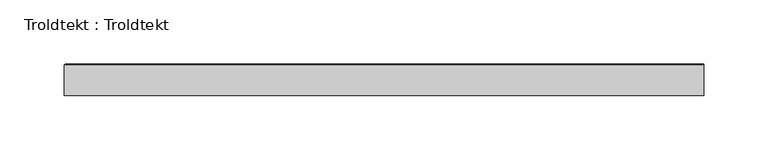
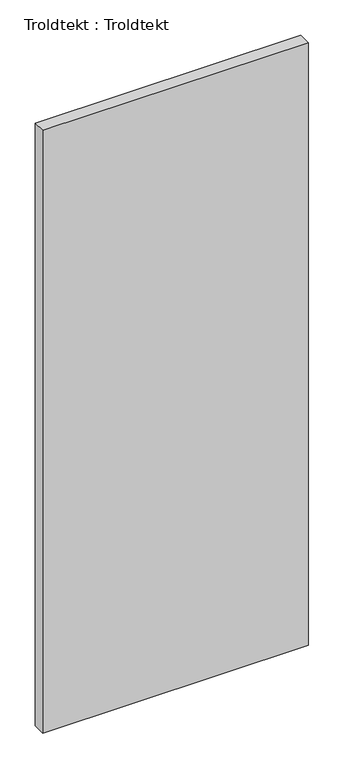
"""IFC4 building model written with IfcOpenShell, lengths in millimetres: proxy geometry, Troldtekt : Troldtekt."""

from ifc_helpers import new_model, si_unit, origin, place, context, project, spatial, faceted_brep, source, transform, mapped, element, save


def troldtekt_troldtekt_77b2eed9(model_context):
    return source(origin(), model_context, "Body", "Brep", [
        faceted_brep([(-300.0, -12.5, 1200.0), (199.9999997, -12.5, 1200.0), (199.9999997, 11.495044, 1200.0), (-300.0, 11.495044, 1200.0), (199.9999997, -12.5, 0.0), (-300.0, -12.5, 0.0), (-300.0, 11.495044, 0.0), (199.9999997, 11.495044, 0.0), (199.9999997, 12.5, 1198.995044), (199.9999997, 12.5, 1.004956), (-298.995044, 12.5, 1.004956), (-298.995044, 12.5, 1198.995044)], [[[0, 1, 2, 3]], [[4, 5, 6, 7]], [[8, 9, 10, 11]], [[5, 0, 3, 6]], [[1, 0, 5, 4]], [[1, 4, 7, 9, 8, 2]], [[10, 6, 3, 11]], [[6, 10, 9, 7]], [[11, 3, 2, 8]]]),
    ])


if __name__ == "__main__":
    model = new_model("IFC4")
    model_context = context("Model", 3, world=origin())
    ifc_project = project(units=[si_unit("LENGTHUNIT", "METRE", prefix="MILLI")], contexts=[model_context])
    site = spatial("IfcSite", under=ifc_project)
    building = spatial("IfcBuilding", under=site)
    placement = place(None, origin())
    troldtekt_troldtekt_shape = troldtekt_troldtekt_77b2eed9(model_context)
    element("IfcBuildingElementProxy", 1, Name="Troldtekt : Troldtekt", ObjectType="Troldtekt : Troldtekt", at=placement, inside=building, context=model_context, shape_type="MappedRepresentation", body=[
        mapped(troldtekt_troldtekt_shape, transform((0.0, 0.0, 0.0), x_axis=(1.0, 0.0, 0.0), y_axis=(0.0, 1.0, 0.0), z_axis=(0.0, 0.0, 1.0))),
    ])
    save(model, "model.ifc")
